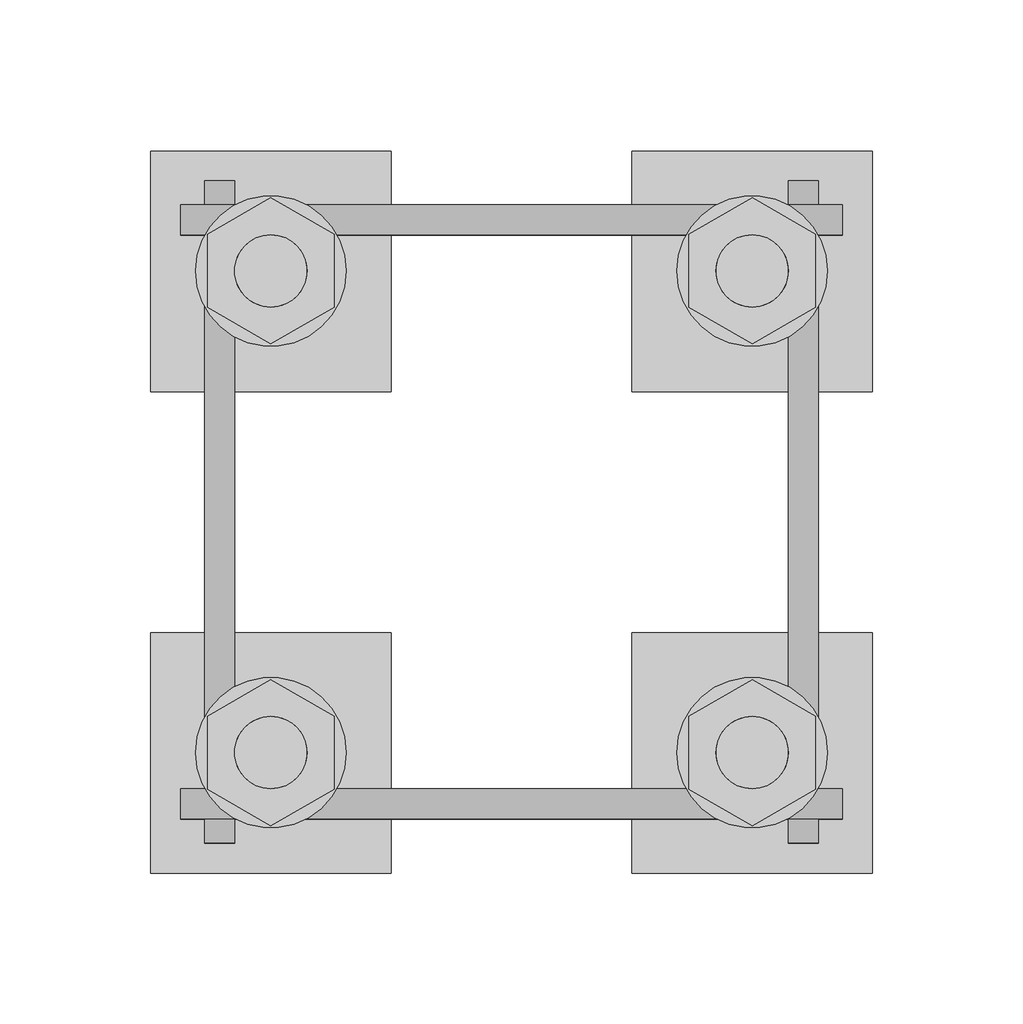
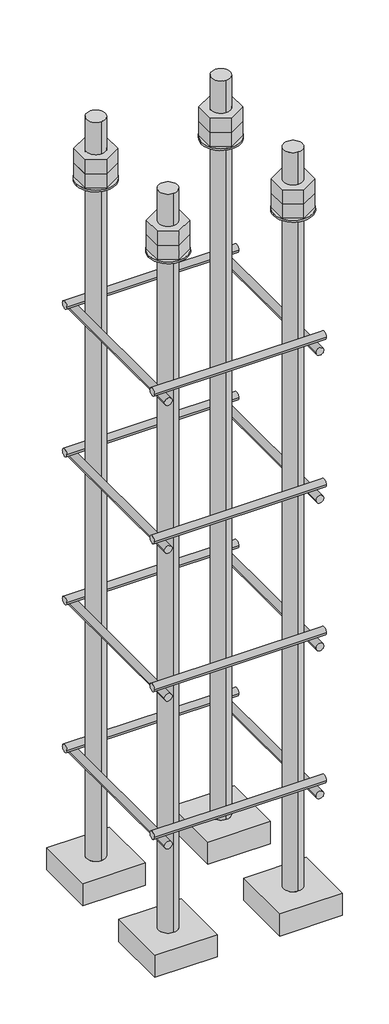
# One storey, part 24 of 66: 1 fastener.
"""IFC4 building model written with IfcOpenShell, lengths in millimetres."""

from ifc_helpers import new_model, si_unit, point, frame, frame_2d, origin, place, context, project, spatial, polyline, circle_curve, trimmed, segment, composite_curve, outline, extrude, element, save
from ifc_brep_helpers import plane_surface, cylinder_surface, advanced_brep

model = new_model("IFC4")

# Units and contexts
model_context = context("Model", 3, world=origin())
ifc_project = project(units=[si_unit("LENGTHUNIT", "METRE", prefix="MILLI")], contexts=[model_context])

# Site, building, storey
site = spatial("IfcSite", under=ifc_project)
building = spatial("IfcBuilding", under=site)
storey = spatial("IfcBuildingStorey", under=building, Elevation=9070.0)

# Fastener
placement = place(None, origin())
element("IfcFastener", 1, ObjectType="AU1 : AU-01", at=placement, inside=storey, context=model_context, shape_type="SolidModel", body=[
    extrude(outline(composite_curve([segment(trimmed(circle_curve(frame_2d((11343.0, 8795.0)), 5.0), [point((11338.0, 8795.0))], [point((11348.0, 8795.0))], False, "CARTESIAN"), True, "CONTINUOUS"), segment(trimmed(circle_curve(frame_2d((11343.0, 8795.0)), 5.0), [point((11348.0, 8795.0))], [point((11338.0, 8795.0))], False, "CARTESIAN"), True, "CONTINUOUS")], self_intersect=False)), frame((56740.0, 0.0, 0.0), z_axis=(1.0, 0.0, 0.0), x_axis=(0.0, 1.0, 0.0)), (0.0, 0.0, 1.0), 220.0),
    extrude(outline(composite_curve([segment(trimmed(circle_curve(frame_2d((11537.0, 8795.0)), 5.0), [point((11542.0, 8795.0))], [point((11532.0, 8795.0))], False, "CARTESIAN"), True, "CONTINUOUS"), segment(trimmed(circle_curve(frame_2d((11537.0, 8795.0)), 5.0), [point((11532.0, 8795.0))], [point((11542.0, 8795.0))], False, "CARTESIAN"), True, "CONTINUOUS")], self_intersect=False)), frame((56740.0, 0.0, 0.0), z_axis=(1.0, 0.0, 0.0), x_axis=(0.0, 1.0, 0.0)), (0.0, 0.0, 1.0), 220.0),
    extrude(outline(composite_curve([segment(trimmed(circle_curve(frame_2d((8785.0, 56753.0)), 5.0), [point((8785.0, 56748.0))], [point((8785.0, 56758.0))], False, "CARTESIAN"), True, "CONTINUOUS"), segment(trimmed(circle_curve(frame_2d((8785.0, 56753.0)), 5.0), [point((8785.0, 56758.0))], [point((8785.0, 56748.0))], False, "CARTESIAN"), True, "CONTINUOUS")], self_intersect=False)), frame((0.0, 11330.0, 0.0), z_axis=(0.0, 1.0, 0.0), x_axis=(0.0, 0.0, 1.0)), (0.0, 0.0, 1.0), 220.0),
    extrude(outline(composite_curve([segment(trimmed(circle_curve(frame_2d((8785.0, 56947.0)), 5.0), [point((8785.0, 56952.0))], [point((8785.0, 56942.0))], False, "CARTESIAN"), True, "CONTINUOUS"), segment(trimmed(circle_curve(frame_2d((8785.0, 56947.0)), 5.0), [point((8785.0, 56942.0))], [point((8785.0, 56952.0))], False, "CARTESIAN"), True, "CONTINUOUS")], self_intersect=False)), frame((0.0, 11330.0, 0.0), z_axis=(0.0, 1.0, 0.0), x_axis=(0.0, 0.0, 1.0)), (0.0, 0.0, 1.0), 220.0),
    extrude(outline(composite_curve([segment(trimmed(circle_curve(frame_2d((11343.0, 8995.0)), 5.0), [point((11338.0, 8995.0))], [point((11348.0, 8995.0))], False, "CARTESIAN"), True, "CONTINUOUS"), segment(trimmed(circle_curve(frame_2d((11343.0, 8995.0)), 5.0), [point((11348.0, 8995.0))], [point((11338.0, 8995.0))], False, "CARTESIAN"), True, "CONTINUOUS")], self_intersect=False)), frame((56740.0, 0.0, 0.0), z_axis=(1.0, 0.0, 0.0), x_axis=(0.0, 1.0, 0.0)), (0.0, 0.0, 1.0), 220.0),
    extrude(outline(composite_curve([segment(trimmed(circle_curve(frame_2d((11537.0, 8995.0)), 5.0), [point((11542.0, 8995.0))], [point((11532.0, 8995.0))], False, "CARTESIAN"), True, "CONTINUOUS"), segment(trimmed(circle_curve(frame_2d((11537.0, 8995.0)), 5.0), [point((11532.0, 8995.0))], [point((11542.0, 8995.0))], False, "CARTESIAN"), True, "CONTINUOUS")], self_intersect=False)), frame((56740.0, 0.0, 0.0), z_axis=(1.0, 0.0, 0.0), x_axis=(0.0, 1.0, 0.0)), (0.0, 0.0, 1.0), 220.0),
    extrude(outline(composite_curve([segment(trimmed(circle_curve(frame_2d((8985.0, 56753.0)), 5.0), [point((8985.0, 56748.0))], [point((8985.0, 56758.0))], False, "CARTESIAN"), True, "CONTINUOUS"), segment(trimmed(circle_curve(frame_2d((8985.0, 56753.0)), 5.0), [point((8985.0, 56758.0))], [point((8985.0, 56748.0))], False, "CARTESIAN"), True, "CONTINUOUS")], self_intersect=False)), frame((0.0, 11330.0, 0.0), z_axis=(0.0, 1.0, 0.0), x_axis=(0.0, 0.0, 1.0)), (0.0, 0.0, 1.0), 220.0),
    extrude(outline(composite_curve([segment(trimmed(circle_curve(frame_2d((8985.0, 56947.0)), 5.0), [point((8985.0, 56952.0))], [point((8985.0, 56942.0))], False, "CARTESIAN"), True, "CONTINUOUS"), segment(trimmed(circle_curve(frame_2d((8985.0, 56947.0)), 5.0), [point((8985.0, 56942.0))], [point((8985.0, 56952.0))], False, "CARTESIAN"), True, "CONTINUOUS")], self_intersect=False)), frame((0.0, 11330.0, 0.0), z_axis=(0.0, 1.0, 0.0), x_axis=(0.0, 0.0, 1.0)), (0.0, 0.0, 1.0), 220.0),
    extrude(outline(composite_curve([segment(trimmed(circle_curve(frame_2d((11343.0, 9195.0)), 5.0), [point((11338.0, 9195.0))], [point((11348.0, 9195.0))], False, "CARTESIAN"), True, "CONTINUOUS"), segment(trimmed(circle_curve(frame_2d((11343.0, 9195.0)), 5.0), [point((11348.0, 9195.0))], [point((11338.0, 9195.0))], False, "CARTESIAN"), True, "CONTINUOUS")], self_intersect=False)), frame((56740.0, 0.0, 0.0), z_axis=(1.0, 0.0, 0.0), x_axis=(0.0, 1.0, 0.0)), (0.0, 0.0, 1.0), 220.0),
    extrude(outline(composite_curve([segment(trimmed(circle_curve(frame_2d((11537.0, 9195.0)), 5.0), [point((11542.0, 9195.0))], [point((11532.0, 9195.0))], False, "CARTESIAN"), True, "CONTINUOUS"), segment(trimmed(circle_curve(frame_2d((11537.0, 9195.0)), 5.0), [point((11532.0, 9195.0))], [point((11542.0, 9195.0))], False, "CARTESIAN"), True, "CONTINUOUS")], self_intersect=False)), frame((56740.0, 0.0, 0.0), z_axis=(1.0, 0.0, 0.0), x_axis=(0.0, 1.0, 0.0)), (0.0, 0.0, 1.0), 220.0),
    extrude(outline(composite_curve([segment(trimmed(circle_curve(frame_2d((9185.0, 56753.0)), 5.0), [point((9185.0, 56748.0))], [point((9185.0, 56758.0))], False, "CARTESIAN"), True, "CONTINUOUS"), segment(trimmed(circle_curve(frame_2d((9185.0, 56753.0)), 5.0), [point((9185.0, 56758.0))], [point((9185.0, 56748.0))], False, "CARTESIAN"), True, "CONTINUOUS")], self_intersect=False)), frame((0.0, 11330.0, 0.0), z_axis=(0.0, 1.0, 0.0), x_axis=(0.0, 0.0, 1.0)), (0.0, 0.0, 1.0), 220.0),
    extrude(outline(composite_curve([segment(trimmed(circle_curve(frame_2d((9185.0, 56947.0)), 5.0), [point((9185.0, 56952.0))], [point((9185.0, 56942.0))], False, "CARTESIAN"), True, "CONTINUOUS"), segment(trimmed(circle_curve(frame_2d((9185.0, 56947.0)), 5.0), [point((9185.0, 56942.0))], [point((9185.0, 56952.0))], False, "CARTESIAN"), True, "CONTINUOUS")], self_intersect=False)), frame((0.0, 11330.0, 0.0), z_axis=(0.0, 1.0, 0.0), x_axis=(0.0, 0.0, 1.0)), (0.0, 0.0, 1.0), 220.0),
    extrude(outline(composite_curve([segment(trimmed(circle_curve(frame_2d((11343.0, 9395.0)), 5.0), [point((11338.0, 9395.0))], [point((11348.0, 9395.0))], False, "CARTESIAN"), True, "CONTINUOUS"), segment(trimmed(circle_curve(frame_2d((11343.0, 9395.0)), 5.0), [point((11348.0, 9395.0))], [point((11338.0, 9395.0))], False, "CARTESIAN"), True, "CONTINUOUS")], self_intersect=False)), frame((56740.0, 0.0, 0.0), z_axis=(1.0, 0.0, 0.0), x_axis=(0.0, 1.0, 0.0)), (0.0, 0.0, 1.0), 220.0),
    extrude(outline(composite_curve([segment(trimmed(circle_curve(frame_2d((11537.0, 9395.0)), 5.0), [point((11542.0, 9395.0))], [point((11532.0, 9395.0))], False, "CARTESIAN"), True, "CONTINUOUS"), segment(trimmed(circle_curve(frame_2d((11537.0, 9395.0)), 5.0), [point((11532.0, 9395.0))], [point((11542.0, 9395.0))], False, "CARTESIAN"), True, "CONTINUOUS")], self_intersect=False)), frame((56740.0, 0.0, 0.0), z_axis=(1.0, 0.0, 0.0), x_axis=(0.0, 1.0, 0.0)), (0.0, 0.0, 1.0), 220.0),
    extrude(outline(composite_curve([segment(trimmed(circle_curve(frame_2d((9385.0, 56753.0)), 5.0), [point((9385.0, 56748.0))], [point((9385.0, 56758.0))], False, "CARTESIAN"), True, "CONTINUOUS"), segment(trimmed(circle_curve(frame_2d((9385.0, 56753.0)), 5.0), [point((9385.0, 56758.0))], [point((9385.0, 56748.0))], False, "CARTESIAN"), True, "CONTINUOUS")], self_intersect=False)), frame((0.0, 11330.0, 0.0), z_axis=(0.0, 1.0, 0.0), x_axis=(0.0, 0.0, 1.0)), (0.0, 0.0, 1.0), 220.0),
    extrude(outline(composite_curve([segment(trimmed(circle_curve(frame_2d((9385.0, 56947.0)), 5.0), [point((9385.0, 56952.0))], [point((9385.0, 56942.0))], False, "CARTESIAN"), True, "CONTINUOUS"), segment(trimmed(circle_curve(frame_2d((9385.0, 56947.0)), 5.0), [point((9385.0, 56942.0))], [point((9385.0, 56952.0))], False, "CARTESIAN"), True, "CONTINUOUS")], self_intersect=False)), frame((0.0, 11330.0, 0.0), z_axis=(0.0, 1.0, 0.0), x_axis=(0.0, 0.0, 1.0)), (0.0, 0.0, 1.0), 220.0),
    advanced_brep(
    [(56810.0, 11560.0, 8650.0), (56730.0, 11560.0, 8650.0), (56730.0, 11480.0, 8650.0), (56810.0, 11480.0, 8650.0), (56770.0, 11508.0, 8650.0), (56770.0, 11532.0, 8650.0), (56810.0, 11560.0, 8620.0), (56810.0, 11480.0, 8620.0), (56730.0, 11480.0, 8620.0), (56730.0, 11560.0, 8620.0), (56770.0, 11532.0, 9650.0), (56770.0, 11508.0, 9650.0)],
    [
        (0, 1),
        (1, 2),
        (2, 3),
        (3, 0),
        (4, 5, circle_curve(frame((56770.0, 11520.0, 8650.0), z_axis=(0.0, 0.0, -1.0), x_axis=(0.0, -1.0, 0.0)), 12.0)),
        (5, 4, circle_curve(frame((56770.0, 11520.0, 8650.0), z_axis=(0.0, 0.0, -1.0), x_axis=(0.0, -1.0, 0.0)), 12.0)),
        (6, 7),
        (7, 8),
        (8, 9),
        (9, 6),
        (0, 6),
        (9, 1),
        (8, 2),
        (7, 3),
        (10, 11, circle_curve(frame((56770.0, 11520.0, 9650.0), z_axis=(0.0, 0.0, 1.0), x_axis=(0.0, -1.0, 0.0)), 12.0)),
        (11, 10, circle_curve(frame((56770.0, 11520.0, 9650.0), z_axis=(0.0, 0.0, 1.0), x_axis=(0.0, -1.0, 0.0)), 12.0)),
        (10, 5),
        (4, 11),
    ],
    [
        plane_surface(frame((56730.0, 11560.0, 8650.0), z_axis=(0.0, 0.0, 1.0), x_axis=(-1.0, 0.0, 0.0))),
        plane_surface(frame((56730.0, 11560.0, 8620.0), z_axis=(0.0, 0.0, -1.0), x_axis=(1.0, 0.0, 0.0))),
        plane_surface(frame((56810.0, 11560.0, 8650.0), z_axis=(0.0, 1.0, 0.0), x_axis=(0.0, 0.0, -1.0))),
        plane_surface(frame((56730.0, 11560.0, 8650.0), z_axis=(-1.0, 0.0, 0.0), x_axis=(0.0, 0.0, -1.0))),
        plane_surface(frame((56730.0, 11480.0, 8650.0), z_axis=(0.0, -1.0, 0.0), x_axis=(0.0, 0.0, -1.0))),
        plane_surface(frame((56810.0, 11480.0, 8650.0), z_axis=(1.0, 0.0, 0.0), x_axis=(0.0, 0.0, -1.0))),
        plane_surface(frame((56770.0, 11520.0, 9650.0), z_axis=(0.0, 0.0, 1.0), x_axis=(0.0, -1.0, 0.0))),
        cylinder_surface(frame((56770.0, 11520.0, 9650.0), z_axis=(0.0, 0.0, 1.0), x_axis=(0.0, -1.0, 0.0)), 12.0),
    ],
    [
        (0, [[1, 2, 3, 4], [5, 6]]),
        (1, [[7, 8, 9, 10]]),
        (2, [[-1, 11, -10, 12]]),
        (3, [[-2, -12, -9, 13]]),
        (4, [[-3, -13, -8, 14]]),
        (5, [[-4, -14, -7, -11]]),
        (6, [[15, 16]]),
        (7, [[-15, 17, -5, 18]]),
        (7, [[-16, -18, -6, -17]]),
    ],
),
    extrude(outline(composite_curve([segment(trimmed(circle_curve(frame_2d((56770.0, 11520.0)), 25.0), [point((56795.0, 11520.0))], [point((56745.0, 11520.0))], False, "CARTESIAN"), True, "CONTINUOUS"), segment(trimmed(circle_curve(frame_2d((56770.0, 11520.0)), 25.0), [point((56745.0, 11520.0))], [point((56795.0, 11520.0))], False, "CARTESIAN"), True, "CONTINUOUS")], self_intersect=False), holes=[composite_curve([segment(trimmed(circle_curve(frame_2d((56770.0, 11520.0)), 12.0), [point((56782.0, 11520.0))], [point((56758.0, 11520.0))], True, "CARTESIAN"), True, "CONTINUOUS"), segment(trimmed(circle_curve(frame_2d((56770.0, 11520.0)), 12.0), [point((56758.0, 11520.0))], [point((56782.0, 11520.0))], True, "CARTESIAN"), True, "CONTINUOUS")], self_intersect=False)]), frame((0.0, 0.0, 9565.0), z_axis=(0.0, 0.0, 1.0), x_axis=(1.0, 0.0, 0.0)), (0.0, 0.0, 1.0), 2.5),
    extrude(outline(polyline([(56770.0, 11544.2487113), (56791.0, 11532.1243557), (56791.0, 11507.8756443), (56770.0, 11495.7512887), (56749.0, 11507.8756443), (56749.0, 11532.1243557), (56770.0, 11544.2487113)]), holes=[composite_curve([segment(trimmed(circle_curve(frame_2d((56770.0, 11520.0)), 12.0), [point((56782.0, 11520.0))], [point((56758.0, 11520.0))], True, "CARTESIAN"), True, "CONTINUOUS"), segment(trimmed(circle_curve(frame_2d((56770.0, 11520.0)), 12.0), [point((56758.0, 11520.0))], [point((56782.0, 11520.0))], True, "CARTESIAN"), True, "CONTINUOUS")], self_intersect=False)]), frame((0.0, 0.0, 9587.0), z_axis=(0.0, 0.0, 1.0), x_axis=(1.0, 0.0, 0.0)), (0.0, 0.0, 1.0), 19.5),
    extrude(outline(polyline([(56770.0, 11544.2487113), (56791.0, 11532.1243557), (56791.0, 11507.8756443), (56770.0, 11495.7512887), (56749.0, 11507.8756443), (56749.0, 11532.1243557), (56770.0, 11544.2487113)]), holes=[composite_curve([segment(trimmed(circle_curve(frame_2d((56770.0, 11520.0)), 12.0), [point((56782.0, 11520.0))], [point((56758.0, 11520.0))], True, "CARTESIAN"), True, "CONTINUOUS"), segment(trimmed(circle_curve(frame_2d((56770.0, 11520.0)), 12.0), [point((56758.0, 11520.0))], [point((56782.0, 11520.0))], True, "CARTESIAN"), True, "CONTINUOUS")], self_intersect=False)]), frame((0.0, 0.0, 9567.5), z_axis=(0.0, 0.0, 1.0), x_axis=(1.0, 0.0, 0.0)), (0.0, 0.0, 1.0), 19.5),
    advanced_brep(
    [(56890.0, 11480.0, 8650.0), (56970.0, 11480.0, 8650.0), (56970.0, 11560.0, 8650.0), (56890.0, 11560.0, 8650.0), (56930.0, 11532.0, 8650.0), (56930.0, 11508.0, 8650.0), (56890.0, 11480.0, 8620.0), (56890.0, 11560.0, 8620.0), (56970.0, 11560.0, 8620.0), (56970.0, 11480.0, 8620.0), (56930.0, 11508.0, 9650.0), (56930.0, 11532.0, 9650.0)],
    [
        (0, 1),
        (1, 2),
        (2, 3),
        (3, 0),
        (4, 5, circle_curve(frame((56930.0, 11520.0, 8650.0), z_axis=(0.0, 0.0, -1.0), x_axis=(0.0, 1.0, 0.0)), 12.0)),
        (5, 4, circle_curve(frame((56930.0, 11520.0, 8650.0), z_axis=(0.0, 0.0, -1.0), x_axis=(0.0, 1.0, 0.0)), 12.0)),
        (6, 7),
        (7, 8),
        (8, 9),
        (9, 6),
        (0, 6),
        (9, 1),
        (8, 2),
        (7, 3),
        (10, 11, circle_curve(frame((56930.0, 11520.0, 9650.0), z_axis=(0.0, 0.0, 1.0), x_axis=(0.0, 1.0, 0.0)), 12.0)),
        (11, 10, circle_curve(frame((56930.0, 11520.0, 9650.0), z_axis=(0.0, 0.0, 1.0), x_axis=(0.0, 1.0, 0.0)), 12.0)),
        (10, 5),
        (4, 11),
    ],
    [
        plane_surface(frame((56970.0, 11480.0, 8650.0), z_axis=(0.0, 0.0, 1.0), x_axis=(1.0, 0.0, 0.0))),
        plane_surface(frame((56970.0, 11480.0, 8620.0), z_axis=(0.0, 0.0, -1.0), x_axis=(-1.0, 0.0, 0.0))),
        plane_surface(frame((56890.0, 11480.0, 8650.0), z_axis=(0.0, -1.0, 0.0), x_axis=(0.0, 0.0, -1.0))),
        plane_surface(frame((56970.0, 11480.0, 8650.0), z_axis=(1.0, 0.0, 0.0), x_axis=(0.0, 0.0, -1.0))),
        plane_surface(frame((56970.0, 11560.0, 8650.0), z_axis=(0.0, 1.0, 0.0), x_axis=(0.0, 0.0, -1.0))),
        plane_surface(frame((56890.0, 11560.0, 8650.0), z_axis=(-1.0, 0.0, 0.0), x_axis=(0.0, 0.0, -1.0))),
        plane_surface(frame((56930.0, 11520.0, 9650.0), z_axis=(0.0, 0.0, 1.0), x_axis=(0.0, 1.0, 0.0))),
        cylinder_surface(frame((56930.0, 11520.0, 9650.0), z_axis=(0.0, 0.0, 1.0), x_axis=(0.0, 1.0, 0.0)), 12.0),
    ],
    [
        (0, [[1, 2, 3, 4], [5, 6]]),
        (1, [[7, 8, 9, 10]]),
        (2, [[-1, 11, -10, 12]]),
        (3, [[-2, -12, -9, 13]]),
        (4, [[-3, -13, -8, 14]]),
        (5, [[-4, -14, -7, -11]]),
        (6, [[15, 16]]),
        (7, [[-15, 17, -5, 18]]),
        (7, [[-16, -18, -6, -17]]),
    ],
),
    extrude(outline(composite_curve([segment(trimmed(circle_curve(frame_2d((56930.0, 11520.0)), 25.0), [point((56905.0, 11520.0))], [point((56955.0, 11520.0))], False, "CARTESIAN"), True, "CONTINUOUS"), segment(trimmed(circle_curve(frame_2d((56930.0, 11520.0)), 25.0), [point((56955.0, 11520.0))], [point((56905.0, 11520.0))], False, "CARTESIAN"), True, "CONTINUOUS")], self_intersect=False), holes=[composite_curve([segment(trimmed(circle_curve(frame_2d((56930.0, 11520.0)), 12.0), [point((56918.0, 11520.0))], [point((56942.0, 11520.0))], True, "CARTESIAN"), True, "CONTINUOUS"), segment(trimmed(circle_curve(frame_2d((56930.0, 11520.0)), 12.0), [point((56942.0, 11520.0))], [point((56918.0, 11520.0))], True, "CARTESIAN"), True, "CONTINUOUS")], self_intersect=False)]), frame((0.0, 0.0, 9565.0), z_axis=(0.0, 0.0, 1.0), x_axis=(1.0, 0.0, 0.0)), (0.0, 0.0, 1.0), 2.5),
    extrude(outline(polyline([(56930.0, 11495.7512887), (56909.0, 11507.8756443), (56909.0, 11532.1243557), (56930.0, 11544.2487113), (56951.0, 11532.1243557), (56951.0, 11507.8756443), (56930.0, 11495.7512887)]), holes=[composite_curve([segment(trimmed(circle_curve(frame_2d((56930.0, 11520.0)), 12.0), [point((56918.0, 11520.0))], [point((56942.0, 11520.0))], True, "CARTESIAN"), True, "CONTINUOUS"), segment(trimmed(circle_curve(frame_2d((56930.0, 11520.0)), 12.0), [point((56942.0, 11520.0))], [point((56918.0, 11520.0))], True, "CARTESIAN"), True, "CONTINUOUS")], self_intersect=False)]), frame((0.0, 0.0, 9587.0), z_axis=(0.0, 0.0, 1.0), x_axis=(1.0, 0.0, 0.0)), (0.0, 0.0, 1.0), 19.5),
    extrude(outline(polyline([(56930.0, 11495.7512887), (56909.0, 11507.8756443), (56909.0, 11532.1243557), (56930.0, 11544.2487113), (56951.0, 11532.1243557), (56951.0, 11507.8756443), (56930.0, 11495.7512887)]), holes=[composite_curve([segment(trimmed(circle_curve(frame_2d((56930.0, 11520.0)), 12.0), [point((56918.0, 11520.0))], [point((56942.0, 11520.0))], True, "CARTESIAN"), True, "CONTINUOUS"), segment(trimmed(circle_curve(frame_2d((56930.0, 11520.0)), 12.0), [point((56942.0, 11520.0))], [point((56918.0, 11520.0))], True, "CARTESIAN"), True, "CONTINUOUS")], self_intersect=False)]), frame((0.0, 0.0, 9567.5), z_axis=(0.0, 0.0, 1.0), x_axis=(1.0, 0.0, 0.0)), (0.0, 0.0, 1.0), 19.5),
    advanced_brep(
    [(56890.0, 11320.0, 8650.0), (56970.0, 11320.0, 8650.0), (56970.0, 11400.0, 8650.0), (56890.0, 11400.0, 8650.0), (56930.0, 11372.0, 8650.0), (56930.0, 11348.0, 8650.0), (56890.0, 11320.0, 8620.0), (56890.0, 11400.0, 8620.0), (56970.0, 11400.0, 8620.0), (56970.0, 11320.0, 8620.0), (56930.0, 11348.0, 9650.0), (56930.0, 11372.0, 9650.0)],
    [
        (0, 1),
        (1, 2),
        (2, 3),
        (3, 0),
        (4, 5, circle_curve(frame((56930.0, 11360.0, 8650.0), z_axis=(0.0, 0.0, -1.0), x_axis=(0.0, 1.0, 0.0)), 12.0)),
        (5, 4, circle_curve(frame((56930.0, 11360.0, 8650.0), z_axis=(0.0, 0.0, -1.0), x_axis=(0.0, 1.0, 0.0)), 12.0)),
        (6, 7),
        (7, 8),
        (8, 9),
        (9, 6),
        (0, 6),
        (9, 1),
        (8, 2),
        (7, 3),
        (10, 11, circle_curve(frame((56930.0, 11360.0, 9650.0), z_axis=(0.0, 0.0, 1.0), x_axis=(0.0, 1.0, 0.0)), 12.0)),
        (11, 10, circle_curve(frame((56930.0, 11360.0, 9650.0), z_axis=(0.0, 0.0, 1.0), x_axis=(0.0, 1.0, 0.0)), 12.0)),
        (10, 5),
        (4, 11),
    ],
    [
        plane_surface(frame((56970.0, 11320.0, 8650.0), z_axis=(0.0, 0.0, 1.0), x_axis=(1.0, 0.0, 0.0))),
        plane_surface(frame((56970.0, 11320.0, 8620.0), z_axis=(0.0, 0.0, -1.0), x_axis=(-1.0, 0.0, 0.0))),
        plane_surface(frame((56890.0, 11320.0, 8650.0), z_axis=(0.0, -1.0, 0.0), x_axis=(0.0, 0.0, -1.0))),
        plane_surface(frame((56970.0, 11320.0, 8650.0), z_axis=(1.0, 0.0, 0.0), x_axis=(0.0, 0.0, -1.0))),
        plane_surface(frame((56970.0, 11400.0, 8650.0), z_axis=(0.0, 1.0, 0.0), x_axis=(0.0, 0.0, -1.0))),
        plane_surface(frame((56890.0, 11400.0, 8650.0), z_axis=(-1.0, 0.0, 0.0), x_axis=(0.0, 0.0, -1.0))),
        plane_surface(frame((56930.0, 11360.0, 9650.0), z_axis=(0.0, 0.0, 1.0), x_axis=(0.0, 1.0, 0.0))),
        cylinder_surface(frame((56930.0, 11360.0, 9650.0), z_axis=(0.0, 0.0, 1.0), x_axis=(0.0, 1.0, 0.0)), 12.0),
    ],
    [
        (0, [[1, 2, 3, 4], [5, 6]]),
        (1, [[7, 8, 9, 10]]),
        (2, [[-1, 11, -10, 12]]),
        (3, [[-2, -12, -9, 13]]),
        (4, [[-3, -13, -8, 14]]),
        (5, [[-4, -14, -7, -11]]),
        (6, [[15, 16]]),
        (7, [[-15, 17, -5, 18]]),
        (7, [[-16, -18, -6, -17]]),
    ],
),
    extrude(outline(composite_curve([segment(trimmed(circle_curve(frame_2d((56930.0, 11360.0)), 25.0), [point((56905.0, 11360.0))], [point((56955.0, 11360.0))], False, "CARTESIAN"), True, "CONTINUOUS"), segment(trimmed(circle_curve(frame_2d((56930.0, 11360.0)), 25.0), [point((56955.0, 11360.0))], [point((56905.0, 11360.0))], False, "CARTESIAN"), True, "CONTINUOUS")], self_intersect=False), holes=[composite_curve([segment(trimmed(circle_curve(frame_2d((56930.0, 11360.0)), 12.0), [point((56918.0, 11360.0))], [point((56942.0, 11360.0))], True, "CARTESIAN"), True, "CONTINUOUS"), segment(trimmed(circle_curve(frame_2d((56930.0, 11360.0)), 12.0), [point((56942.0, 11360.0))], [point((56918.0, 11360.0))], True, "CARTESIAN"), True, "CONTINUOUS")], self_intersect=False)]), frame((0.0, 0.0, 9565.0), z_axis=(0.0, 0.0, 1.0), x_axis=(1.0, 0.0, 0.0)), (0.0, 0.0, 1.0), 2.5),
    extrude(outline(polyline([(56930.0, 11335.7512887), (56909.0, 11347.8756443), (56909.0, 11372.1243557), (56930.0, 11384.2487113), (56951.0, 11372.1243557), (56951.0, 11347.8756443), (56930.0, 11335.7512887)]), holes=[composite_curve([segment(trimmed(circle_curve(frame_2d((56930.0, 11360.0)), 12.0), [point((56918.0, 11360.0))], [point((56942.0, 11360.0))], True, "CARTESIAN"), True, "CONTINUOUS"), segment(trimmed(circle_curve(frame_2d((56930.0, 11360.0)), 12.0), [point((56942.0, 11360.0))], [point((56918.0, 11360.0))], True, "CARTESIAN"), True, "CONTINUOUS")], self_intersect=False)]), frame((0.0, 0.0, 9587.0), z_axis=(0.0, 0.0, 1.0), x_axis=(1.0, 0.0, 0.0)), (0.0, 0.0, 1.0), 19.5),
    extrude(outline(polyline([(56930.0, 11335.7512887), (56909.0, 11347.8756443), (56909.0, 11372.1243557), (56930.0, 11384.2487113), (56951.0, 11372.1243557), (56951.0, 11347.8756443), (56930.0, 11335.7512887)]), holes=[composite_curve([segment(trimmed(circle_curve(frame_2d((56930.0, 11360.0)), 12.0), [point((56918.0, 11360.0))], [point((56942.0, 11360.0))], True, "CARTESIAN"), True, "CONTINUOUS"), segment(trimmed(circle_curve(frame_2d((56930.0, 11360.0)), 12.0), [point((56942.0, 11360.0))], [point((56918.0, 11360.0))], True, "CARTESIAN"), True, "CONTINUOUS")], self_intersect=False)]), frame((0.0, 0.0, 9567.5), z_axis=(0.0, 0.0, 1.0), x_axis=(1.0, 0.0, 0.0)), (0.0, 0.0, 1.0), 19.5),
    advanced_brep(
    [(56810.0, 11400.0, 8650.0), (56730.0, 11400.0, 8650.0), (56730.0, 11320.0, 8650.0), (56810.0, 11320.0, 8650.0), (56770.0, 11348.0, 8650.0), (56770.0, 11372.0, 8650.0), (56810.0, 11400.0, 8620.0), (56810.0, 11320.0, 8620.0), (56730.0, 11320.0, 8620.0), (56730.0, 11400.0, 8620.0), (56770.0, 11372.0, 9650.0), (56770.0, 11348.0, 9650.0)],
    [
        (0, 1),
        (1, 2),
        (2, 3),
        (3, 0),
        (4, 5, circle_curve(frame((56770.0, 11360.0, 8650.0), z_axis=(0.0, 0.0, -1.0), x_axis=(0.0, -1.0, 0.0)), 12.0)),
        (5, 4, circle_curve(frame((56770.0, 11360.0, 8650.0), z_axis=(0.0, 0.0, -1.0), x_axis=(0.0, -1.0, 0.0)), 12.0)),
        (6, 7),
        (7, 8),
        (8, 9),
        (9, 6),
        (0, 6),
        (9, 1),
        (8, 2),
        (7, 3),
        (10, 11, circle_curve(frame((56770.0, 11360.0, 9650.0), z_axis=(0.0, 0.0, 1.0), x_axis=(0.0, -1.0, 0.0)), 12.0)),
        (11, 10, circle_curve(frame((56770.0, 11360.0, 9650.0), z_axis=(0.0, 0.0, 1.0), x_axis=(0.0, -1.0, 0.0)), 12.0)),
        (10, 5),
        (4, 11),
    ],
    [
        plane_surface(frame((56730.0, 11400.0, 8650.0), z_axis=(0.0, 0.0, 1.0), x_axis=(-1.0, 0.0, 0.0))),
        plane_surface(frame((56730.0, 11400.0, 8620.0), z_axis=(0.0, 0.0, -1.0), x_axis=(1.0, 0.0, 0.0))),
        plane_surface(frame((56810.0, 11400.0, 8650.0), z_axis=(0.0, 1.0, 0.0), x_axis=(0.0, 0.0, -1.0))),
        plane_surface(frame((56730.0, 11400.0, 8650.0), z_axis=(-1.0, 0.0, 0.0), x_axis=(0.0, 0.0, -1.0))),
        plane_surface(frame((56730.0, 11320.0, 8650.0), z_axis=(0.0, -1.0, 0.0), x_axis=(0.0, 0.0, -1.0))),
        plane_surface(frame((56810.0, 11320.0, 8650.0), z_axis=(1.0, 0.0, 0.0), x_axis=(0.0, 0.0, -1.0))),
        plane_surface(frame((56770.0, 11360.0, 9650.0), z_axis=(0.0, 0.0, 1.0), x_axis=(0.0, -1.0, 0.0))),
        cylinder_surface(frame((56770.0, 11360.0, 9650.0), z_axis=(0.0, 0.0, 1.0), x_axis=(0.0, -1.0, 0.0)), 12.0),
    ],
    [
        (0, [[1, 2, 3, 4], [5, 6]]),
        (1, [[7, 8, 9, 10]]),
        (2, [[-1, 11, -10, 12]]),
        (3, [[-2, -12, -9, 13]]),
        (4, [[-3, -13, -8, 14]]),
        (5, [[-4, -14, -7, -11]]),
        (6, [[15, 16]]),
        (7, [[-15, 17, -5, 18]]),
        (7, [[-16, -18, -6, -17]]),
    ],
),
    extrude(outline(composite_curve([segment(trimmed(circle_curve(frame_2d((56770.0, 11360.0)), 25.0), [point((56795.0, 11360.0))], [point((56745.0, 11360.0))], False, "CARTESIAN"), True, "CONTINUOUS"), segment(trimmed(circle_curve(frame_2d((56770.0, 11360.0)), 25.0), [point((56745.0, 11360.0))], [point((56795.0, 11360.0))], False, "CARTESIAN"), True, "CONTINUOUS")], self_intersect=False), holes=[composite_curve([segment(trimmed(circle_curve(frame_2d((56770.0, 11360.0)), 12.0), [point((56782.0, 11360.0))], [point((56758.0, 11360.0))], True, "CARTESIAN"), True, "CONTINUOUS"), segment(trimmed(circle_curve(frame_2d((56770.0, 11360.0)), 12.0), [point((56758.0, 11360.0))], [point((56782.0, 11360.0))], True, "CARTESIAN"), True, "CONTINUOUS")], self_intersect=False)]), frame((0.0, 0.0, 9565.0), z_axis=(0.0, 0.0, 1.0), x_axis=(1.0, 0.0, 0.0)), (0.0, 0.0, 1.0), 2.5),
    extrude(outline(polyline([(56770.0, 11384.2487113), (56791.0, 11372.1243557), (56791.0, 11347.8756443), (56770.0, 11335.7512887), (56749.0, 11347.8756443), (56749.0, 11372.1243557), (56770.0, 11384.2487113)]), holes=[composite_curve([segment(trimmed(circle_curve(frame_2d((56770.0, 11360.0)), 12.0), [point((56782.0, 11360.0))], [point((56758.0, 11360.0))], True, "CARTESIAN"), True, "CONTINUOUS"), segment(trimmed(circle_curve(frame_2d((56770.0, 11360.0)), 12.0), [point((56758.0, 11360.0))], [point((56782.0, 11360.0))], True, "CARTESIAN"), True, "CONTINUOUS")], self_intersect=False)]), frame((0.0, 0.0, 9587.0), z_axis=(0.0, 0.0, 1.0), x_axis=(1.0, 0.0, 0.0)), (0.0, 0.0, 1.0), 19.5),
    extrude(outline(polyline([(56770.0, 11384.2487113), (56791.0, 11372.1243557), (56791.0, 11347.8756443), (56770.0, 11335.7512887), (56749.0, 11347.8756443), (56749.0, 11372.1243557), (56770.0, 11384.2487113)]), holes=[composite_curve([segment(trimmed(circle_curve(frame_2d((56770.0, 11360.0)), 12.0), [point((56782.0, 11360.0))], [point((56758.0, 11360.0))], True, "CARTESIAN"), True, "CONTINUOUS"), segment(trimmed(circle_curve(frame_2d((56770.0, 11360.0)), 12.0), [point((56758.0, 11360.0))], [point((56782.0, 11360.0))], True, "CARTESIAN"), True, "CONTINUOUS")], self_intersect=False)]), frame((0.0, 0.0, 9567.5), z_axis=(0.0, 0.0, 1.0), x_axis=(1.0, 0.0, 0.0)), (0.0, 0.0, 1.0), 19.5),
])

save(model, "model.ifc")
